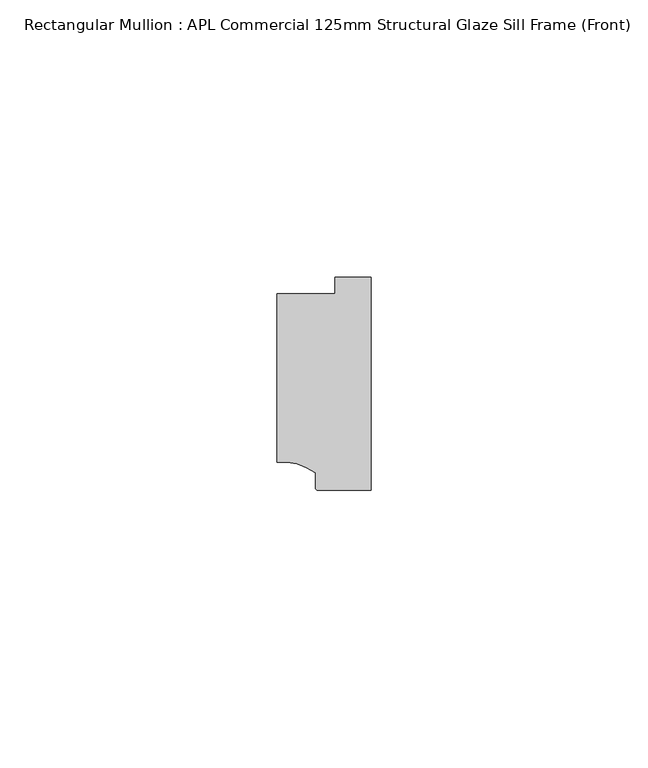
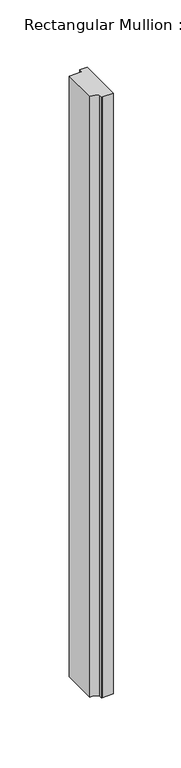
"""IFC4 building model written with IfcOpenShell, lengths in millimetres: member geometry, Rectangular Mullion : APL Commercial 125mm Structural Glaze Sill Frame (Front)."""

from ifc_helpers import new_model, si_unit, point, frame, frame_2d, origin, place, context, project, spatial, polyline, circle_curve, trimmed, segment, composite_curve, outline, extrude, source, transform, mapped, element, save


def rectangular_mullion_apl_commercial_125mm_structural_glaze_be4d9f15(model_context):
    return source(origin(), model_context, "Body", "SweptSolid", [
        extrude(outline(composite_curve([segment(polyline([(-16.999942, -15.3793144), (-16.999942, 15.0004332), (-6.5000029, 15.0004332), (-6.5000029, 18.0281616), (0.0, 18.0281616), (0.0, -20.49978), (-9.5000029, -20.49978)]), True, "CONTINUOUS"), segment(trimmed(circle_curve(frame_2d((-9.5000029, -19.99978)), 0.5), [point((-9.5000029, -20.49978))], [point((-10.0, -19.9980675))], False, "CARTESIAN"), True, "CONTINUOUS"), segment(polyline([(-10.0, -19.9980675), (-10.0, -17.3120901)]), True, "CONTINUOUS"), segment(trimmed(circle_curve(frame_2d((-16.1098048, -25.7977481)), 10.4563907), [point((-10.0, -17.3120901))], [point((-16.999942, -15.3793144))], True, "CARTESIAN"), True, "CONTINUOUS")], self_intersect=False)), frame((0.0, 0.0, -543.5830712), z_axis=(0.0, 0.0, 1.0), x_axis=(1.0, 0.0, 0.0)), (0.0, 0.0, 1.0), 543.5830712),
    ])


if __name__ == "__main__":
    model = new_model("IFC4")
    model_context = context("Model", 3, world=origin())
    ifc_project = project(units=[si_unit("LENGTHUNIT", "METRE", prefix="MILLI")], contexts=[model_context])
    site = spatial("IfcSite", under=ifc_project)
    building = spatial("IfcBuilding", under=site)
    placement = place(None, origin())
    rectangular_mullion_apl_commercial_125mm_structural_glaze_shape = rectangular_mullion_apl_commercial_125mm_structural_glaze_be4d9f15(model_context)
    element("IfcMember", 1, ObjectType="Rectangular Mullion : APL Commercial 125mm Structural Glaze Sill Frame (Front)", at=placement, inside=building, context=model_context, shape_type="MappedRepresentation", body=[
        mapped(rectangular_mullion_apl_commercial_125mm_structural_glaze_shape, transform((0.0, 0.0, 0.0), x_axis=(1.0, 0.0, 0.0), y_axis=(0.0, 1.0, 0.0), z_axis=(0.0, 0.0, 1.0))),
    ])
    save(model, "model.ifc")
